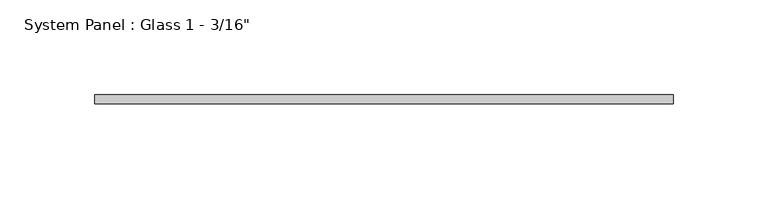
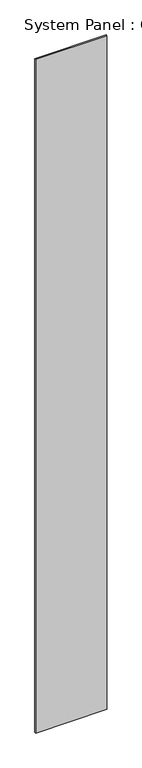
"""IFC4 building model written with IfcOpenShell, lengths in millimetres: plate geometry."""

from ifc_helpers import new_model, si_unit, origin, origin_with_axes, place, context, project, spatial, polyline, outline, extrude, source, transform, mapped, element, save


def plate_c9727b76(model_context):
    return source(origin(), model_context, "Body", "SweptSolid", [
        extrude(outline(polyline([(152.4, -4.7625), (-152.4, -4.7625), (-152.4, 0.0), (152.4, 0.0), (152.4, -4.7625)])), origin_with_axes(), (0.0, 0.0, 1.0), 3048.0),
    ])


if __name__ == "__main__":
    model = new_model("IFC4")
    model_context = context("Model", 3, world=origin())
    ifc_project = project(units=[si_unit("LENGTHUNIT", "METRE", prefix="MILLI")], contexts=[model_context])
    site = spatial("IfcSite", under=ifc_project)
    building = spatial("IfcBuilding", under=site)
    placement = place(None, origin())
    plate_shape = plate_c9727b76(model_context)
    element("IfcPlate", 1, ObjectType="System Panel : Glass 1 - 3/16\"", at=placement, inside=building, context=model_context, shape_type="MappedRepresentation", body=[
        mapped(plate_shape, transform((0.0, 0.0, 0.0), x_axis=(1.0, 0.0, 0.0), y_axis=(0.0, 1.0, 0.0), z_axis=(0.0, 0.0, 1.0))),
    ])
    save(model, "model.ifc")
